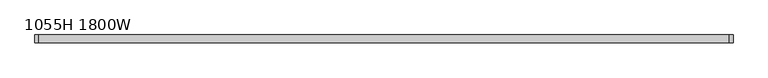
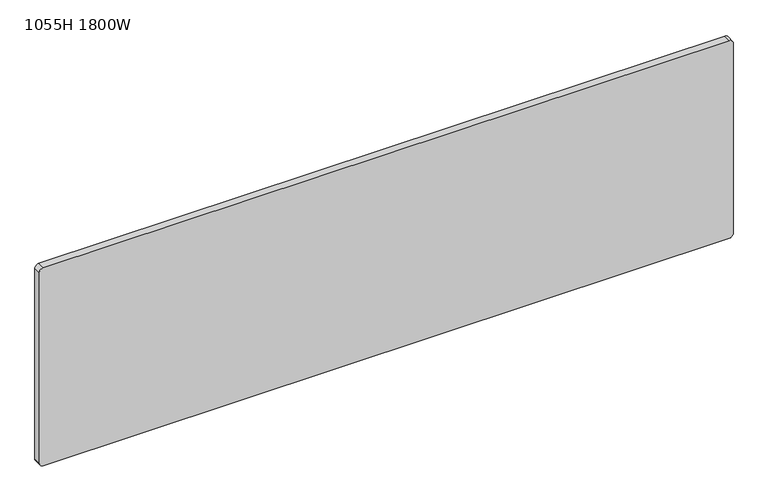
"""IFC4 building model written with IfcOpenShell, lengths in millimetres: furniture geometry, 1055H 1800W."""

from ifc_helpers import new_model, si_unit, point, frame, frame_2d, origin, place, context, project, spatial, polyline, circle_curve, trimmed, segment, composite_curve, outline, extrude, source, transform, mapped, element, save


def furniture_1055h_1800w_097f8206(model_context):
    return source(origin(), model_context, "Body", "SweptSolid", [
        extrude(outline(composite_curve([segment(trimmed(circle_curve(frame_2d((540.0, 902.5)), 10.0), [point((530.0, 902.5))], [point((540.0, 912.5))], False, "CARTESIAN"), True, "CONTINUOUS"), segment(polyline([(540.0, 912.5), (1070.0, 912.5)]), True, "CONTINUOUS"), segment(trimmed(circle_curve(frame_2d((1070.0, 902.5)), 10.0), [point((1070.0, 912.5))], [point((1080.0, 902.5))], False, "CARTESIAN"), True, "CONTINUOUS"), segment(polyline([(1080.0, 902.5), (1080.0, -902.5)]), True, "CONTINUOUS"), segment(trimmed(circle_curve(frame_2d((1070.0, -902.5)), 10.0), [point((1080.0, -902.5))], [point((1070.0, -912.5))], False, "CARTESIAN"), True, "CONTINUOUS"), segment(polyline([(1070.0, -912.5), (540.0, -912.5)]), True, "CONTINUOUS"), segment(trimmed(circle_curve(frame_2d((540.0, -902.5)), 10.0), [point((540.0, -912.5))], [point((530.0, -902.5))], False, "CARTESIAN"), True, "CONTINUOUS"), segment(polyline([(530.0, -902.5), (530.0, 902.5)]), True, "CONTINUOUS")], self_intersect=False)), frame((0.0, -10.0, 0.0), z_axis=(0.0, 1.0, 0.0), x_axis=(0.0, 0.0, 1.0)), (0.0, 0.0, 1.0), 20.0),
    ])


if __name__ == "__main__":
    model = new_model("IFC4")
    model_context = context("Model", 3, world=origin())
    ifc_project = project(units=[si_unit("LENGTHUNIT", "METRE", prefix="MILLI")], contexts=[model_context])
    site = spatial("IfcSite", under=ifc_project)
    building = spatial("IfcBuilding", under=site)
    placement = place(None, origin())
    furniture_1055h_1800w_shape = furniture_1055h_1800w_097f8206(model_context)
    element("IfcFurniture", 1, ObjectType="1055H 1800W", at=placement, inside=building, context=model_context, shape_type="MappedRepresentation", body=[
        mapped(furniture_1055h_1800w_shape, transform((0.0, 0.0, 0.0), x_axis=(1.0, 0.0, 0.0), y_axis=(0.0, 1.0, 0.0), z_axis=(0.0, 0.0, 1.0))),
    ])
    save(model, "model.ifc")
